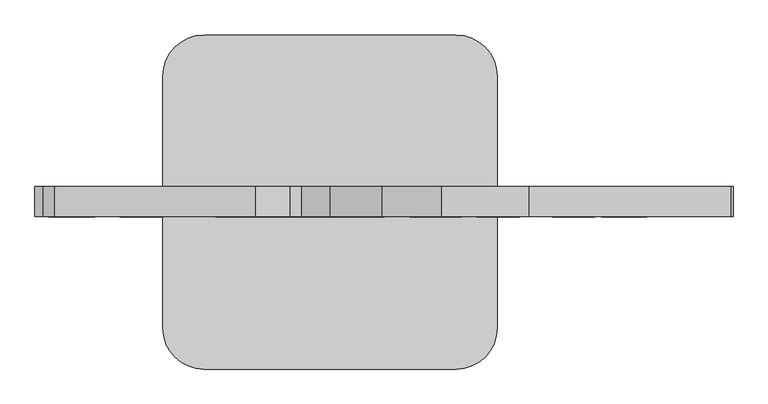
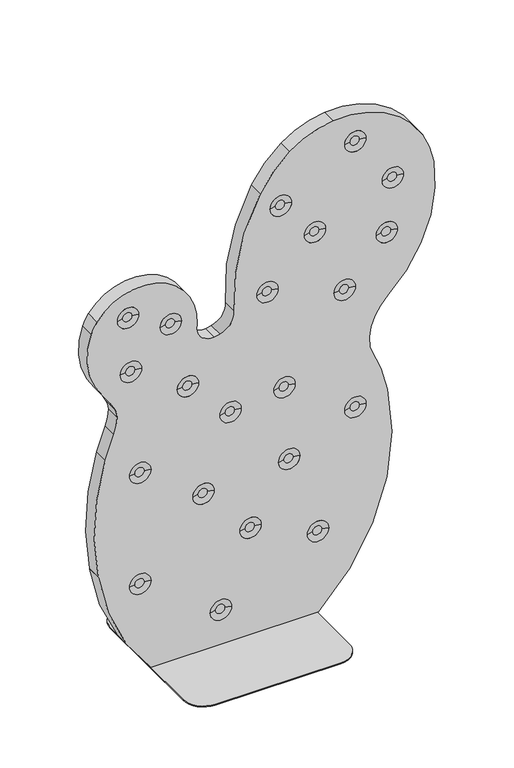
"""IFC4 building model written with IfcOpenShell, lengths in millimetres: furniture geometry."""

import ifcopenshell
import ifcopenshell.guid

model = None  # the IFC model being written
_history = None  # IfcOwnerHistory: only IFC2X3 demands one
_inside = {}  # id of a spatial element -> (the spatial element, [elements in it])
_under = {}  # id of a project, library or spatial element -> (it, [spatial elements below it])
_declared = {}  # id of a project -> (the project, [libraries it declares])
_typed = {}  # id of a type object -> (the type object, [elements of that type])
_made_of = {}  # id of a material, layer set ... -> (it, [elements and type objects made of it])


def new_model(schema):
    """Start an empty IFC model of exactly this schema.

    Asked for "IFC4X3", IfcOpenShell would pick the latest addendum, in which some entities
    have other attributes; the version numbers below select the first issue.
    IFC2X3 requires an IfcOwnerHistory on every rooted entity: one is made here for all.
    """
    global model, _history
    if schema == "IFC4X3":
        model = ifcopenshell.file(schema_version=(4, 3, 0, 0))
    else:
        model = ifcopenshell.file(schema=schema)
    _inside.clear()
    _under.clear()
    _declared.clear()
    _typed.clear()
    _made_of.clear()
    _history = None
    if model.schema == "IFC2X3":
        org = make("IfcOrganization", Name="unknown")
        user = make(
            "IfcPersonAndOrganization",
            ThePerson=make("IfcPerson", FamilyName="unknown"),
            TheOrganization=org,
        )
        app = make(
            "IfcApplication",
            ApplicationDeveloper=org,
            Version="unknown",
            ApplicationFullName="unknown",
            ApplicationIdentifier="unknown",
        )
        _history = make(
            "IfcOwnerHistory",
            OwningUser=user,
            OwningApplication=app,
            ChangeAction="ADDED",
            CreationDate=0,
        )
    return model


def make(cls, **values):
    """One entity of the class cls with the attributes given. An attribute that is None is left unset."""
    return model.create_entity(
        cls, **{name: value for name, value in values.items() if value is not None}
    )


def rooted(cls, **values):
    """An entity with a GlobalId (a new one), such as an element, a storey or a relation."""
    return make(cls, GlobalId=ifcopenshell.guid.new(), OwnerHistory=_history, **values)


def si_unit(unit_type, name, prefix=None):
    """IfcSIUnit, for example si_unit("LENGTHUNIT", "METRE", prefix="MILLI")."""
    return make("IfcSIUnit", UnitType=unit_type, Prefix=prefix, Name=name)


def assignment(units):
    """IfcUnitAssignment: the units of a project."""
    return None if units is None else make("IfcUnitAssignment", Units=units)


def point(xyz):
    """IfcCartesianPoint."""
    return None if xyz is None else make("IfcCartesianPoint", Coordinates=xyz)


def direction(xyz):
    """IfcDirection."""
    return None if xyz is None else make("IfcDirection", DirectionRatios=xyz)


def frame(location, z_axis=None, x_axis=None):
    """IfcAxis2Placement3D, a coordinate frame: its origin and axes. An axis left out is left unset."""
    return make(
        "IfcAxis2Placement3D",
        Location=point(location),
        Axis=direction(z_axis),
        RefDirection=direction(x_axis),
    )


def frame_2d(location, x_axis=None):
    """IfcAxis2Placement2D, a coordinate frame in the plane: its origin and x axis."""
    return make(
        "IfcAxis2Placement2D", Location=point(location), RefDirection=direction(x_axis)
    )


def origin():
    """The frame at (0, 0, 0) with its axes left unset."""
    return frame((0.0, 0.0, 0.0))


def origin_with_axes():
    """The frame at (0, 0, 0) with the z axis (0, 0, 1) and the x axis (1, 0, 0) written out."""
    return frame((0.0, 0.0, 0.0), z_axis=(0.0, 0.0, 1.0), x_axis=(1.0, 0.0, 0.0))


def place(relative_to, where):
    """IfcLocalPlacement: puts the frame where relative to a parent placement (None: the world)."""
    return make(
        "IfcLocalPlacement", PlacementRelTo=relative_to, RelativePlacement=where
    )


def context(
    kind, dimensions, precision=None, world=None, true_north=None, identifier=None
):
    """IfcGeometricRepresentationContext, for example the 3D "Model" context."""
    return make(
        "IfcGeometricRepresentationContext",
        ContextIdentifier=identifier,
        ContextType=kind,
        CoordinateSpaceDimension=dimensions,
        Precision=precision,
        WorldCoordinateSystem=world,
        TrueNorth=true_north,
    )


def project(units=None, contexts=None):
    """IfcProject with its units and contexts."""
    return rooted(
        "IfcProject",
        Name="project",
        RepresentationContexts=contexts,
        UnitsInContext=assignment(units),
    )


def spatial(cls, under=None, at=None, **own):
    """A site, building, storey or space (cls), placed at a placement, below another one or the project."""
    s = rooted(cls, ObjectPlacement=at, **own)
    if under is not None:
        _under.setdefault(under.id(), (under, []))[1].append(s)
    return s


def polyline(points):
    """IfcPolyline through the points."""
    return make("IfcPolyline", Points=[point(p) for p in points])


def circle_curve(where, radius):
    """IfcCircle in the frame where."""
    return make("IfcCircle", Position=where, Radius=radius)


def trimmed(basis, trim1, trim2, sense, master):
    """IfcTrimmedCurve: the piece of a basis curve between two trims."""
    return make(
        "IfcTrimmedCurve",
        BasisCurve=basis,
        Trim1=trim1,
        Trim2=trim2,
        SenseAgreement=sense,
        MasterRepresentation=master,
    )


def segment(curve, same_sense, transition):
    """IfcCompositeCurveSegment."""
    return make(
        "IfcCompositeCurveSegment",
        Transition=transition,
        SameSense=same_sense,
        ParentCurve=curve,
    )


def composite_curve(segments, self_intersect=None):
    """IfcCompositeCurve: segments joined end to end."""
    return make("IfcCompositeCurve", Segments=segments, SelfIntersect=self_intersect)


def outline(outer, holes=None, kind="AREA"):
    """IfcArbitraryClosedProfileDef: a profile drawn as a closed curve; with holes, ...WithVoids."""
    if holes is None:
        return make("IfcArbitraryClosedProfileDef", ProfileType=kind, OuterCurve=outer)
    return make(
        "IfcArbitraryProfileDefWithVoids",
        ProfileType=kind,
        OuterCurve=outer,
        InnerCurves=holes,
    )


def extrude(swept, where, along, depth):
    """IfcExtrudedAreaSolid: the profile swept, set in the frame where, extruded along a direction by depth."""
    return make(
        "IfcExtrudedAreaSolid",
        SweptArea=swept,
        Position=where,
        ExtrudedDirection=direction(along),
        Depth=depth,
    )


def shape(context_of_items, identifier, shape_type, items):
    """IfcShapeRepresentation: the items that make up one representation, for example the "Body"."""
    return make(
        "IfcShapeRepresentation",
        ContextOfItems=context_of_items,
        RepresentationIdentifier=identifier,
        RepresentationType=shape_type,
        Items=items,
    )


def source(mapping_origin, context_of_items, identifier, shape_type, items):
    """IfcRepresentationMap: a shape defined once, which mapped items show again and again."""
    return make(
        "IfcRepresentationMap",
        MappingOrigin=mapping_origin,
        MappedRepresentation=shape(context_of_items, identifier, shape_type, items),
    )


def transform(
    local_origin,
    x_axis=None,
    y_axis=None,
    z_axis=None,
    scale=None,
    scale2=None,
    scale3=None,
    uniform=True,
):
    """IfcCartesianTransformationOperator3D, or its non-uniform kind. x_axis, y_axis, z_axis: its Axis1, 2, 3."""
    if uniform:
        return make(
            "IfcCartesianTransformationOperator3D",
            Axis1=direction(x_axis),
            Axis2=direction(y_axis),
            LocalOrigin=point(local_origin),
            Scale=scale,
            Axis3=direction(z_axis),
        )
    return make(
        "IfcCartesianTransformationOperator3DnonUniform",
        Axis1=direction(x_axis),
        Axis2=direction(y_axis),
        LocalOrigin=point(local_origin),
        Scale=scale,
        Axis3=direction(z_axis),
        Scale2=scale2,
        Scale3=scale3,
    )


def mapped(mapping_source, mapping_target):
    """IfcMappedItem: shows the shape of a source again, moved by a transform."""
    return make(
        "IfcMappedItem", MappingSource=mapping_source, MappingTarget=mapping_target
    )


def made_of(thing, what):
    """Note that an element or type object is made of a material, layer set ...; save() writes the relation."""
    if what is not None:
        _made_of.setdefault(what.id(), (what, []))[1].append(thing)
    return thing


def element(
    cls,
    number,
    at=None,
    inside=None,
    cuts=None,
    type_object=None,
    material=None,
    context=None,
    identifier="Body",
    shape_type=None,
    held_by="IfcProductDefinitionShape",
    body=None,
    shapes=None,
    **own,
):
    """One element of the class cls, such as IfcWall. Its Tag is "e" and its number.

    at: its placement. inside: the storey or other place that contains it. cuts: it is an
    opening in that element (IfcRelVoidsElement). A single representation is given by context,
    identifier, shape_type and body (its items); several are given by shapes. held_by: the class
    of the entity that holds the representations. save() writes the other relations.
    """
    e = rooted(cls, Tag="e%d" % number, ObjectPlacement=at, **own)
    if body is not None:
        shapes = [shape(context, identifier, shape_type, body)]
    if shapes is not None:
        e.Representation = make(held_by, Representations=shapes)
    if inside is not None:
        _inside.setdefault(inside.id(), (inside, []))[1].append(e)
    if cuts is not None:
        rooted(
            "IfcRelVoidsElement", RelatingBuildingElement=cuts, RelatedOpeningElement=e
        )
    if type_object is not None:
        _typed.setdefault(type_object.id(), (type_object, []))[1].append(e)
    return made_of(e, material)


def aggregate(whole, parts):
    """IfcRelAggregates: a whole, such as a stair, and the parts it consists of."""
    return rooted("IfcRelAggregates", RelatingObject=whole, RelatedObjects=parts)


def save(model, path):
    """Write the relations noted so far, then the file.

    IfcRelAggregates (storeys below a building ...), IfcRelContainedInSpatialStructure (elements
    in a storey), IfcRelDefinesByType, IfcRelAssociatesMaterial and IfcRelDeclares: one each for
    every whole, place, type object, material and project.
    """
    for whole, parts in _under.values():
        aggregate(whole, parts)
    for where, things in _inside.values():
        rooted(
            "IfcRelContainedInSpatialStructure",
            RelatedElements=things,
            RelatingStructure=where,
        )
    for kind, things in _typed.values():
        rooted("IfcRelDefinesByType", RelatedObjects=things, RelatingType=kind)
    for what, things in _made_of.values():
        rooted("IfcRelAssociatesMaterial", RelatedObjects=things, RelatingMaterial=what)
    for by, libraries in _declared.values():
        rooted("IfcRelDeclares", RelatingContext=by, RelatedDefinitions=libraries)
    model.write(path)


def plane_surface(at):
    """IfcPlane: the flat surface through the origin of the frame at, square to its z axis."""
    return make("IfcPlane", Position=at)


def cylinder_surface(at, radius):
    """IfcCylindricalSurface: all points at the distance radius from the z axis of the frame at."""
    return make("IfcCylindricalSurface", Position=at, Radius=radius)


def revolved_surface(curve, axis_point, axis_direction):
    """IfcSurfaceOfRevolution: the curve turned about the line through axis_point along axis_direction."""
    return make(
        "IfcSurfaceOfRevolution",
        SweptCurve=make("IfcArbitraryOpenProfileDef", ProfileType="CURVE", Curve=curve),
        AxisPosition=make("IfcAxis1Placement", Location=point(axis_point), Axis=direction(axis_direction)),
    )


def advanced_brep(points, edges, surfaces, faces):
    """IfcAdvancedBrep: a solid bounded by faces that lie on surfaces and meet in shared edges.

    An edge is (start, end): straight between two places in points (the first is 0);
    or (start, end, curve); or (start, end, curve, False) where it runs against its curve.
    A face is (place in surfaces, loops), or (place, loops, False) where it looks against
    its surface's normal. A loop lists edges by number (the first is 1), with a minus sign
    where the edge is run from its end to its start. The first loop is the outer one.
    """
    corners = [point(p) for p in points]
    vertices = [make("IfcVertexPoint", VertexGeometry=c) for c in corners]
    made = []
    for start, end, *more in edges:
        made.append(
            make(
                "IfcEdgeCurve",
                EdgeStart=vertices[start],
                EdgeEnd=vertices[end],
                EdgeGeometry=more[0] if more else make("IfcPolyline", Points=[corners[start], corners[end]]),
                SameSense=more[1] if len(more) > 1 else True,
            )
        )
    hull = []
    for where, loops, *sense in faces:
        bounds = []
        for j, loop in enumerate(loops):
            ring = [make("IfcOrientedEdge", EdgeElement=made[abs(k) - 1], Orientation=k > 0) for k in loop]
            bounds.append(
                make(
                    "IfcFaceOuterBound" if j == 0 else "IfcFaceBound",
                    Bound=make("IfcEdgeLoop", EdgeList=ring),
                    Orientation=True,
                )
            )
        hull.append(make("IfcAdvancedFace", Bounds=bounds, FaceSurface=surfaces[where], SameSense=sense[0] if sense else True))
    return make("IfcAdvancedBrep", Outer=make("IfcClosedShell", CfsFaces=hull))


def furniture_1ea57966(model_context):
    return source(origin(), model_context, "Body", "SolidModel", [
        advanced_brep(
        [(383.9345234, 22.8032112, 1022.0487103), (90.7629582, 22.8032112, 1131.3491793), (72.9704797, 22.8032112, 1097.9766871), (108.3073631, 22.8032112, 894.6900839), (143.2085862, 22.8032112, 839.9596733), (149.2260125, 22.8032112, 814.6825697), (139.7553251, 22.8032112, 764.40238), (114.6822647, 22.8032112, 694.0131616), (93.7365974, 22.8032112, 339.423907), (94.4726951, 22.8032112, 334.8360436), (249.0455386, 22.8032112, 3.0), (741.9245014, 22.8032112, 3.0), (944.2729864, 22.8032112, 624.0146305), (895.4289233, 22.8032112, 765.6854226), (892.8814564, 22.8032112, 773.8024335), (944.2729864, 22.8032112, 913.5512241), (1080.5275383, 22.8032112, 1283.5997129), (785.8654842, 22.8032112, 1513.6117304), (656.7597266, 22.8032112, 1462.1887152), (570.4935539, 22.8032112, 1362.6266925), (493.8752537, 22.8032112, 1025.0555128), (451.5065926, 22.8032112, 966.9582956), (435.0272691, 22.8032112, 963.998352), (383.6509701, 22.8032112, 1008.437465), (212.9833468, 22.8032112, 1112.1066548), (150.2473902, 22.8032112, 1112.1066548), (338.6737896, 22.8032112, 1049.2575222), (275.937833, 22.8032112, 1049.2575222), (221.5964558, 22.8032112, 941.7696601), (158.8604993, 22.8032112, 941.7696601), (389.1703055, 22.8032112, 838.0721612), (326.4343489, 22.8032112, 838.0721612), (514.4156775, 22.8032112, 714.51896), (451.6797209, 22.8032112, 714.51896), (248.6804162, 22.8032112, 618.3836595), (185.9444596, 22.8032112, 618.3836595), (434.9100972, 22.8032112, 488.3338332), (372.1741406, 22.8032112, 488.3338332), (248.6731165, 22.8032112, 273.403571), (185.9371599, 22.8032112, 273.403571), (486.1247048, 22.8032112, 110.2633636), (423.3887482, 22.8032112, 110.2633636), (573.2874159, 22.8032112, 334.0923875), (510.5514593, 22.8032112, 334.0923875), (771.7077971, 22.8032112, 254.3918376), (708.9718405, 22.8032112, 254.3918376), (686.9743247, 22.8032112, 508.1341263), (624.2383681, 22.8032112, 508.1341263), (881.6769605, 22.8032112, 601.4718865), (818.941004, 22.8032112, 601.4718865), (673.0562292, 22.8032112, 735.9343002), (610.3202726, 22.8032112, 735.9343002), (850.3804456, 22.8032112, 976.366838), (787.644489, 22.8032112, 976.366838), (623.1025511, 22.8032112, 1049.0987496), (560.3665945, 22.8032112, 1049.0987496), (762.736861, 22.8032112, 1186.7586303), (700.0009044, 22.8032112, 1186.7586303), (974.1391708, 22.8032112, 1112.4678051), (911.4032142, 22.8032112, 1112.4678051), (662.3675665, 22.8032112, 1303.7616575), (599.63161, 22.8032112, 1303.7616575), (991.7835826, 22.8032112, 1276.0400274), (929.047626, 22.8032112, 1276.0400274), (881.6418622, 22.8032112, 1426.7252306), (818.9059056, 22.8032112, 1426.7252306), (383.9345234, 66.8126425, 1022.0487103), (383.6509701, 66.8126425, 1008.437465), (435.0272691, 66.8126425, 963.998352), (451.5065926, 66.8126425, 966.9582956), (493.8752537, 66.8126425, 1025.0555128), (570.4935539, 66.8126425, 1362.6266925), (656.7597266, 66.8126425, 1462.1887152), (785.8654842, 66.8126425, 1513.6117304), (1080.5275383, 66.8126425, 1283.5997129), (944.2729864, 66.8126425, 913.5512241), (892.8814564, 66.8126425, 773.8024335), (895.4289233, 66.8126425, 765.6854226), (944.2729864, 66.8126425, 624.0146305), (741.9245014, 66.8126425, 3.0), (249.0455386, 66.8126425, 3.0), (94.4726951, 66.8126425, 334.8360436), (93.7365974, 66.8126425, 339.423907), (114.6822647, 66.8126425, 694.0131616), (139.7553251, 66.8126425, 764.40238), (149.2260125, 66.8126425, 814.6825697), (143.2085862, 66.8126425, 839.9596733), (108.3073631, 66.8126425, 894.6900839), (72.9704797, 66.8126425, 1097.9766871), (90.7629582, 66.8126425, 1131.3491793), (168.2624102, 26.8020212, 1112.1066548), (194.9683268, 26.8020212, 1112.1066548), (293.952853, 26.8020212, 1049.2575222), (320.6587696, 26.8020212, 1049.2575222), (176.8755193, 26.8020212, 941.7696601), (203.5814358, 26.8020212, 941.7696601), (344.4493689, 26.8020212, 838.0721612), (371.1552855, 26.8020212, 838.0721612), (469.6947409, 26.8020212, 714.51896), (496.4006574, 26.8020212, 714.51896), (203.9594796, 26.8020212, 618.3836595), (230.6653961, 26.8020212, 618.3836595), (390.1891606, 26.8020212, 488.3338332), (416.8950772, 26.8020212, 488.3338332), (203.9521799, 26.8020212, 273.403571), (230.6580965, 26.8020212, 273.403571), (441.4037682, 26.8020212, 110.2633636), (468.1096848, 26.8020212, 110.2633636), (528.5664793, 26.8020212, 334.0923875), (555.2723959, 26.8020212, 334.0923875), (726.9868605, 26.8020212, 254.3918376), (753.6927771, 26.8020212, 254.3918376), (642.2533881, 26.8020212, 508.1341263), (668.9593047, 26.8020212, 508.1341263), (836.956024, 26.8020212, 601.4718865), (863.6619405, 26.8020212, 601.4718865), (628.3352926, 26.8020212, 735.9343002), (655.0412092, 26.8020212, 735.9343002), (805.6595091, 26.8020212, 976.366838), (832.3654256, 26.8020212, 976.366838), (578.3816146, 26.8020212, 1049.0987496), (605.0875311, 26.8020212, 1049.0987496), (718.0159244, 26.8020212, 1186.7586303), (744.721841, 26.8020212, 1186.7586303), (929.4182342, 26.8020212, 1112.4678051), (956.1241508, 26.8020212, 1112.4678051), (617.64663, 26.8020212, 1303.7616575), (644.3525465, 26.8020212, 1303.7616575), (947.062646, 26.8020212, 1276.0400274), (973.7685625, 26.8020212, 1276.0400274), (836.9209256, 26.8020212, 1426.7252306), (863.6268422, 26.8020212, 1426.7252306)],
        [
            (0, 1, circle_curve(frame((221.4914503, 22.8032112, 1034.1656721), z_axis=(0.0, -1.0, 0.0), x_axis=(1.0, 0.0, 0.0)), 162.8943607)),
            (1, 2, circle_curve(frame((192.684955, 22.8032112, 1055.5804089), z_axis=(0.0, -1.0, 0.0), x_axis=(1.0, 0.0, 0.0)), 127.0)),
            (2, 3, circle_curve(frame((271.3037223, 22.8032112, 1027.7379686), z_axis=(0.0, -1.0, 0.0), x_axis=(1.0, 0.0, 0.0)), 210.4033097)),
            (3, 4, circle_curve(frame((-107.2577041, 22.8032112, 718.7323119), z_axis=(0.0, 1.0, 0.0), x_axis=(1.0, 0.0, 0.0)), 278.2614521)),
            (4, 5, circle_curve(frame((88.9093693, 22.8032112, 813.6784887), z_axis=(0.0, 1.0, 0.0), x_axis=(1.0, 0.0, 0.0)), 60.325)),
            (5, 6, circle_curve(frame((22.2436057, 22.8032112, 812.568715), z_axis=(0.0, 1.0, 0.0), x_axis=(1.0, 0.0, 0.0)), 127.0)),
            (6, 7, circle_curve(frame((878.5899407, 22.8032112, 461.564878), z_axis=(0.0, -1.0, 0.0), x_axis=(1.0, 0.0, 0.0)), 798.4905396)),
            (7, 8, circle_curve(frame((840.2125945, 22.8032112, 473.2426612), z_axis=(0.0, -1.0, 0.0), x_axis=(1.0, 0.0, 0.0)), 758.3758127)),
            (8, 9, circle_curve(frame((-31.270622, 22.8032112, 317.0141973), z_axis=(0.0, 1.0, 0.0), x_axis=(1.0, 0.0, 0.0)), 127.0)),
            (9, 10, circle_curve(frame((717.5273165, 22.8032112, 423.1427939), z_axis=(0.0, -1.0, 0.0), x_axis=(1.0, 0.0, 0.0)), 629.2814501)),
            (10, 11),
            (11, 12, circle_curve(frame((294.2712782, 22.8032112, 492.3346741), z_axis=(0.0, -1.0, 0.0), x_axis=(1.0, 0.0, 0.0)), 663.2057234)),
            (12, 13, circle_curve(frame((386.8724995, 22.8032112, 511.0942014), z_axis=(0.0, -1.0, 0.0), x_axis=(1.0, 0.0, 0.0)), 568.7234179)),
            (13, 14, circle_curve(frame((919.2989117, 22.8032112, 777.6351085), z_axis=(0.0, 1.0, 0.0), x_axis=(1.0, 0.0, 0.0)), 26.6940319)),
            (14, 15, circle_curve(frame((1047.562029, 22.8032112, 796.2436698), z_axis=(0.0, 1.0, 0.0), x_axis=(1.0, 0.0, 0.0)), 156.2999956)),
            (15, 16, circle_curve(frame((670.5200225, 22.8032112, 1224.4582657), z_axis=(0.0, -1.0, 0.0), x_axis=(1.0, 0.0, 0.0)), 414.2509792)),
            (16, 17, circle_curve(frame((813.3386396, 22.8032112, 1245.0591068), z_axis=(0.0, -1.0, 0.0), x_axis=(1.0, 0.0, 0.0)), 269.9542292)),
            (17, 18, circle_curve(frame((811.7149828, 22.8032112, 1260.9305015), z_axis=(0.0, -1.0, 0.0), x_axis=(1.0, 0.0, 0.0)), 254.0)),
            (18, 19, circle_curve(frame((858.3377643, 22.8032112, 1200.3761328), z_axis=(0.0, -1.0, 0.0), x_axis=(1.0, 0.0, 0.0)), 330.4232643)),
            (19, 20, circle_curve(frame((1097.6026806, 22.8032112, 1065.5085024), z_axis=(0.0, -1.0, 0.0), x_axis=(1.0, 0.0, 0.0)), 605.0811931)),
            (20, 21, circle_curve(frame((437.9930247, 22.8032112, 1021.3111024), z_axis=(0.0, 1.0, 0.0), x_axis=(1.0, 0.0, 0.0)), 56.0075364)),
            (21, 22, circle_curve(frame((420.8638749, 22.8032112, 1090.2061103), z_axis=(0.0, 1.0, 0.0), x_axis=(1.0, 0.0, 0.0)), 127.0)),
            (22, 23, circle_curve(frame((429.8700187, 22.8032112, 1009.953792), z_axis=(0.0, 1.0, 0.0), x_axis=(1.0, 0.0, 0.0)), 46.2439152)),
            (23, 0, circle_curve(frame((510.5826786, 22.8032112, 1012.6017648), z_axis=(0.0, 1.0, 0.0), x_axis=(1.0, 0.0, 0.0)), 127.0)),
            (24, 25, circle_curve(frame((181.6153685, 22.8032112, 1112.1066548), z_axis=(0.0, 1.0, 0.0), x_axis=(-1.0, 0.0, 0.0)), 31.3679783)),
            (25, 24, circle_curve(frame((181.6153685, 22.8032112, 1112.1066548), z_axis=(0.0, 1.0, 0.0), x_axis=(1.0, 0.0, 0.0)), 31.3679783)),
            (26, 27, circle_curve(frame((307.3058113, 22.8032112, 1049.2575222), z_axis=(0.0, 1.0, 0.0), x_axis=(-1.0, 0.0, 0.0)), 31.3679783)),
            (27, 26, circle_curve(frame((307.3058113, 22.8032112, 1049.2575222), z_axis=(0.0, 1.0, 0.0), x_axis=(1.0, 0.0, 0.0)), 31.3679783)),
            (28, 29, circle_curve(frame((190.2284776, 22.8032112, 941.7696601), z_axis=(0.0, 1.0, 0.0), x_axis=(-1.0, 0.0, 0.0)), 31.3679783)),
            (29, 28, circle_curve(frame((190.2284776, 22.8032112, 941.7696601), z_axis=(0.0, 1.0, 0.0), x_axis=(1.0, 0.0, 0.0)), 31.3679783)),
            (30, 31, circle_curve(frame((357.8023272, 22.8032112, 838.0721612), z_axis=(0.0, 1.0, 0.0), x_axis=(-1.0, 0.0, 0.0)), 31.3679783)),
            (31, 30, circle_curve(frame((357.8023272, 22.8032112, 838.0721612), z_axis=(0.0, 1.0, 0.0), x_axis=(1.0, 0.0, 0.0)), 31.3679783)),
            (32, 33, circle_curve(frame((483.0476992, 22.8032112, 714.51896), z_axis=(0.0, 1.0, 0.0), x_axis=(-1.0, 0.0, 0.0)), 31.3679783)),
            (33, 32, circle_curve(frame((483.0476992, 22.8032112, 714.51896), z_axis=(0.0, 1.0, 0.0), x_axis=(1.0, 0.0, 0.0)), 31.3679783)),
            (34, 35, circle_curve(frame((217.3124379, 22.8032112, 618.3836595), z_axis=(0.0, 1.0, 0.0), x_axis=(-1.0, 0.0, 0.0)), 31.3679783)),
            (35, 34, circle_curve(frame((217.3124379, 22.8032112, 618.3836595), z_axis=(0.0, 1.0, 0.0), x_axis=(1.0, 0.0, 0.0)), 31.3679783)),
            (36, 37, circle_curve(frame((403.5421189, 22.8032112, 488.3338332), z_axis=(0.0, 1.0, 0.0), x_axis=(-1.0, 0.0, 0.0)), 31.3679783)),
            (37, 36, circle_curve(frame((403.5421189, 22.8032112, 488.3338332), z_axis=(0.0, 1.0, 0.0), x_axis=(1.0, 0.0, 0.0)), 31.3679783)),
            (38, 39, circle_curve(frame((217.3051382, 22.8032112, 273.403571), z_axis=(0.0, 1.0, 0.0), x_axis=(-1.0, 0.0, 0.0)), 31.3679783)),
            (39, 38, circle_curve(frame((217.3051382, 22.8032112, 273.403571), z_axis=(0.0, 1.0, 0.0), x_axis=(1.0, 0.0, 0.0)), 31.3679783)),
            (40, 41, circle_curve(frame((454.7567265, 22.8032112, 110.2633636), z_axis=(0.0, 1.0, 0.0), x_axis=(-1.0, 0.0, 0.0)), 31.3679783)),
            (41, 40, circle_curve(frame((454.7567265, 22.8032112, 110.2633636), z_axis=(0.0, 1.0, 0.0), x_axis=(1.0, 0.0, 0.0)), 31.3679783)),
            (42, 43, circle_curve(frame((541.9194376, 22.8032112, 334.0923875), z_axis=(0.0, 1.0, 0.0), x_axis=(-1.0, 0.0, 0.0)), 31.3679783)),
            (43, 42, circle_curve(frame((541.9194376, 22.8032112, 334.0923875), z_axis=(0.0, 1.0, 0.0), x_axis=(1.0, 0.0, 0.0)), 31.3679783)),
            (44, 45, circle_curve(frame((740.3398188, 22.8032112, 254.3918376), z_axis=(0.0, 1.0, 0.0), x_axis=(-1.0, 0.0, 0.0)), 31.3679783)),
            (45, 44, circle_curve(frame((740.3398188, 22.8032112, 254.3918376), z_axis=(0.0, 1.0, 0.0), x_axis=(1.0, 0.0, 0.0)), 31.3679783)),
            (46, 47, circle_curve(frame((655.6063464, 22.8032112, 508.1341263), z_axis=(0.0, 1.0, 0.0), x_axis=(-1.0, 0.0, 0.0)), 31.3679783)),
            (47, 46, circle_curve(frame((655.6063464, 22.8032112, 508.1341263), z_axis=(0.0, 1.0, 0.0), x_axis=(1.0, 0.0, 0.0)), 31.3679783)),
            (48, 49, circle_curve(frame((850.3089823, 22.8032112, 601.4718865), z_axis=(0.0, 1.0, 0.0), x_axis=(-1.0, 0.0, 0.0)), 31.3679783)),
            (49, 48, circle_curve(frame((850.3089823, 22.8032112, 601.4718865), z_axis=(0.0, 1.0, 0.0), x_axis=(1.0, 0.0, 0.0)), 31.3679783)),
            (50, 51, circle_curve(frame((641.6882509, 22.8032112, 735.9343002), z_axis=(0.0, 1.0, 0.0), x_axis=(-1.0, 0.0, 0.0)), 31.3679783)),
            (51, 50, circle_curve(frame((641.6882509, 22.8032112, 735.9343002), z_axis=(0.0, 1.0, 0.0), x_axis=(1.0, 0.0, 0.0)), 31.3679783)),
            (52, 53, circle_curve(frame((819.0124673, 22.8032112, 976.366838), z_axis=(0.0, 1.0, 0.0), x_axis=(-1.0, 0.0, 0.0)), 31.3679783)),
            (53, 52, circle_curve(frame((819.0124673, 22.8032112, 976.366838), z_axis=(0.0, 1.0, 0.0), x_axis=(1.0, 0.0, 0.0)), 31.3679783)),
            (54, 55, circle_curve(frame((591.7345728, 22.8032112, 1049.0987496), z_axis=(0.0, 1.0, 0.0), x_axis=(-1.0, 0.0, 0.0)), 31.3679783)),
            (55, 54, circle_curve(frame((591.7345728, 22.8032112, 1049.0987496), z_axis=(0.0, 1.0, 0.0), x_axis=(1.0, 0.0, 0.0)), 31.3679783)),
            (56, 57, circle_curve(frame((731.3688827, 22.8032112, 1186.7586303), z_axis=(0.0, 1.0, 0.0), x_axis=(-1.0, 0.0, 0.0)), 31.3679783)),
            (57, 56, circle_curve(frame((731.3688827, 22.8032112, 1186.7586303), z_axis=(0.0, 1.0, 0.0), x_axis=(1.0, 0.0, 0.0)), 31.3679783)),
            (58, 59, circle_curve(frame((942.7711925, 22.8032112, 1112.4678051), z_axis=(0.0, 1.0, 0.0), x_axis=(-1.0, 0.0, 0.0)), 31.3679783)),
            (59, 58, circle_curve(frame((942.7711925, 22.8032112, 1112.4678051), z_axis=(0.0, 1.0, 0.0), x_axis=(1.0, 0.0, 0.0)), 31.3679783)),
            (60, 61, circle_curve(frame((630.9995883, 22.8032112, 1303.7616575), z_axis=(0.0, 1.0, 0.0), x_axis=(-1.0, 0.0, 0.0)), 31.3679783)),
            (61, 60, circle_curve(frame((630.9995883, 22.8032112, 1303.7616575), z_axis=(0.0, 1.0, 0.0), x_axis=(1.0, 0.0, 0.0)), 31.3679783)),
            (62, 63, circle_curve(frame((960.4156043, 22.8032112, 1276.0400274), z_axis=(0.0, 1.0, 0.0), x_axis=(-1.0, 0.0, 0.0)), 31.3679783)),
            (63, 62, circle_curve(frame((960.4156043, 22.8032112, 1276.0400274), z_axis=(0.0, 1.0, 0.0), x_axis=(1.0, 0.0, 0.0)), 31.3679783)),
            (64, 65, circle_curve(frame((850.2738839, 22.8032112, 1426.7252306), z_axis=(0.0, 1.0, 0.0), x_axis=(-1.0, 0.0, 0.0)), 31.3679783)),
            (65, 64, circle_curve(frame((850.2738839, 22.8032112, 1426.7252306), z_axis=(0.0, 1.0, 0.0), x_axis=(1.0, 0.0, 0.0)), 31.3679783)),
            (66, 67, circle_curve(frame((510.5826786, 66.8126425, 1012.6017648), z_axis=(0.0, -1.0, 0.0), x_axis=(1.0, 0.0, 0.0)), 127.0)),
            (67, 68, circle_curve(frame((429.8700187, 66.8126425, 1009.953792), z_axis=(0.0, -1.0, 0.0), x_axis=(1.0, 0.0, 0.0)), 46.2439152)),
            (68, 69, circle_curve(frame((420.8638749, 66.8126425, 1090.2061103), z_axis=(0.0, -1.0, 0.0), x_axis=(1.0, 0.0, 0.0)), 127.0)),
            (69, 70, circle_curve(frame((437.9930247, 66.8126425, 1021.3111024), z_axis=(0.0, -1.0, 0.0), x_axis=(1.0, 0.0, 0.0)), 56.0075364)),
            (70, 71, circle_curve(frame((1097.6026806, 66.8126425, 1065.5085024), z_axis=(0.0, 1.0, 0.0), x_axis=(1.0, 0.0, 0.0)), 605.0811931)),
            (71, 72, circle_curve(frame((858.3377643, 66.8126425, 1200.3761328), z_axis=(0.0, 1.0, 0.0), x_axis=(1.0, 0.0, 0.0)), 330.4232643)),
            (72, 73, circle_curve(frame((811.7149828, 66.8126425, 1260.9305015), z_axis=(0.0, 1.0, 0.0), x_axis=(1.0, 0.0, 0.0)), 254.0)),
            (73, 74, circle_curve(frame((813.3386396, 66.8126425, 1245.0591068), z_axis=(0.0, 1.0, 0.0), x_axis=(1.0, 0.0, 0.0)), 269.9542292)),
            (74, 75, circle_curve(frame((670.5200225, 66.8126425, 1224.4582657), z_axis=(0.0, 1.0, 0.0), x_axis=(1.0, 0.0, 0.0)), 414.2509792)),
            (75, 76, circle_curve(frame((1047.562029, 66.8126425, 796.2436698), z_axis=(0.0, -1.0, 0.0), x_axis=(1.0, 0.0, 0.0)), 156.2999956)),
            (76, 77, circle_curve(frame((919.2989117, 66.8126425, 777.6351085), z_axis=(0.0, -1.0, 0.0), x_axis=(1.0, 0.0, 0.0)), 26.6940319)),
            (77, 78, circle_curve(frame((386.8724995, 66.8126425, 511.0942014), z_axis=(0.0, 1.0, 0.0), x_axis=(1.0, 0.0, 0.0)), 568.7234179)),
            (78, 79, circle_curve(frame((294.2712782, 66.8126425, 492.3346741), z_axis=(0.0, 1.0, 0.0), x_axis=(1.0, 0.0, 0.0)), 663.2057234)),
            (79, 80),
            (80, 81, circle_curve(frame((717.5273165, 66.8126425, 423.1427939), z_axis=(0.0, 1.0, 0.0), x_axis=(1.0, 0.0, 0.0)), 629.2814501)),
            (81, 82, circle_curve(frame((-31.270622, 66.8126425, 317.0141973), z_axis=(0.0, -1.0, 0.0), x_axis=(1.0, 0.0, 0.0)), 127.0)),
            (82, 83, circle_curve(frame((840.2125945, 66.8126425, 473.2426612), z_axis=(0.0, 1.0, 0.0), x_axis=(1.0, 0.0, 0.0)), 758.3758127)),
            (83, 84, circle_curve(frame((878.5899407, 66.8126425, 461.564878), z_axis=(0.0, 1.0, 0.0), x_axis=(1.0, 0.0, 0.0)), 798.4905396)),
            (84, 85, circle_curve(frame((22.2436057, 66.8126425, 812.568715), z_axis=(0.0, -1.0, 0.0), x_axis=(1.0, 0.0, 0.0)), 127.0)),
            (85, 86, circle_curve(frame((88.9093693, 66.8126425, 813.6784887), z_axis=(0.0, -1.0, 0.0), x_axis=(1.0, 0.0, 0.0)), 60.325)),
            (86, 87, circle_curve(frame((-107.2577041, 66.8126425, 718.7323119), z_axis=(0.0, -1.0, 0.0), x_axis=(1.0, 0.0, 0.0)), 278.2614521)),
            (87, 88, circle_curve(frame((271.3037223, 66.8126425, 1027.7379686), z_axis=(0.0, 1.0, 0.0), x_axis=(1.0, 0.0, 0.0)), 210.4033097)),
            (88, 89, circle_curve(frame((192.684955, 66.8126425, 1055.5804089), z_axis=(0.0, 1.0, 0.0), x_axis=(1.0, 0.0, 0.0)), 127.0)),
            (89, 66, circle_curve(frame((221.4914503, 66.8126425, 1034.1656721), z_axis=(0.0, 1.0, 0.0), x_axis=(1.0, 0.0, 0.0)), 162.8943607)),
            (10, 80),
            (79, 11),
            (78, 12),
            (15, 75),
            (74, 16),
            (73, 17),
            (0, 66),
            (89, 1),
            (2, 88),
            (87, 3),
            (86, 4),
            (85, 5),
            (6, 84),
            (83, 7),
            (9, 81),
            (82, 8),
            (22, 68),
            (67, 23),
            (21, 69),
            (18, 72),
            (71, 19),
            (70, 20),
            (77, 13),
            (14, 76),
            (90, 91, circle_curve(frame((181.6153685, 26.8020212, 1112.1066548), z_axis=(0.0, -1.0, 0.0), x_axis=(-1.0, 0.0, 0.0)), 13.3529583)),
            (91, 90, circle_curve(frame((181.6153685, 26.8020212, 1112.1066548), z_axis=(0.0, -1.0, 0.0), x_axis=(1.0, 0.0, 0.0)), 13.3529583)),
            (90, 25),
            (24, 91),
            (92, 93, circle_curve(frame((307.3058113, 26.8020212, 1049.2575222), z_axis=(0.0, -1.0, 0.0), x_axis=(-1.0, 0.0, 0.0)), 13.3529583)),
            (93, 92, circle_curve(frame((307.3058113, 26.8020212, 1049.2575222), z_axis=(0.0, -1.0, 0.0), x_axis=(1.0, 0.0, 0.0)), 13.3529583)),
            (92, 27),
            (26, 93),
            (94, 95, circle_curve(frame((190.2284776, 26.8020212, 941.7696601), z_axis=(0.0, -1.0, 0.0), x_axis=(-1.0, 0.0, 0.0)), 13.3529583)),
            (95, 94, circle_curve(frame((190.2284776, 26.8020212, 941.7696601), z_axis=(0.0, -1.0, 0.0), x_axis=(1.0, 0.0, 0.0)), 13.3529583)),
            (94, 29),
            (28, 95),
            (96, 97, circle_curve(frame((357.8023272, 26.8020212, 838.0721612), z_axis=(0.0, -1.0, 0.0), x_axis=(-1.0, 0.0, 0.0)), 13.3529583)),
            (97, 96, circle_curve(frame((357.8023272, 26.8020212, 838.0721612), z_axis=(0.0, -1.0, 0.0), x_axis=(1.0, 0.0, 0.0)), 13.3529583)),
            (96, 31),
            (30, 97),
            (98, 99, circle_curve(frame((483.0476992, 26.8020212, 714.51896), z_axis=(0.0, -1.0, 0.0), x_axis=(-1.0, 0.0, 0.0)), 13.3529583)),
            (99, 98, circle_curve(frame((483.0476992, 26.8020212, 714.51896), z_axis=(0.0, -1.0, 0.0), x_axis=(1.0, 0.0, 0.0)), 13.3529583)),
            (98, 33),
            (32, 99),
            (100, 101, circle_curve(frame((217.3124379, 26.8020212, 618.3836595), z_axis=(0.0, -1.0, 0.0), x_axis=(-1.0, 0.0, 0.0)), 13.3529583)),
            (101, 100, circle_curve(frame((217.3124379, 26.8020212, 618.3836595), z_axis=(0.0, -1.0, 0.0), x_axis=(1.0, 0.0, 0.0)), 13.3529583)),
            (100, 35),
            (34, 101),
            (102, 103, circle_curve(frame((403.5421189, 26.8020212, 488.3338332), z_axis=(0.0, -1.0, 0.0), x_axis=(-1.0, 0.0, 0.0)), 13.3529583)),
            (103, 102, circle_curve(frame((403.5421189, 26.8020212, 488.3338332), z_axis=(0.0, -1.0, 0.0), x_axis=(1.0, 0.0, 0.0)), 13.3529583)),
            (102, 37),
            (36, 103),
            (104, 105, circle_curve(frame((217.3051382, 26.8020212, 273.403571), z_axis=(0.0, -1.0, 0.0), x_axis=(-1.0, 0.0, 0.0)), 13.3529583)),
            (105, 104, circle_curve(frame((217.3051382, 26.8020212, 273.403571), z_axis=(0.0, -1.0, 0.0), x_axis=(1.0, 0.0, 0.0)), 13.3529583)),
            (104, 39),
            (38, 105),
            (106, 107, circle_curve(frame((454.7567265, 26.8020212, 110.2633636), z_axis=(0.0, -1.0, 0.0), x_axis=(-1.0, 0.0, 0.0)), 13.3529583)),
            (107, 106, circle_curve(frame((454.7567265, 26.8020212, 110.2633636), z_axis=(0.0, -1.0, 0.0), x_axis=(1.0, 0.0, 0.0)), 13.3529583)),
            (106, 41),
            (40, 107),
            (108, 109, circle_curve(frame((541.9194376, 26.8020212, 334.0923875), z_axis=(0.0, -1.0, 0.0), x_axis=(-1.0, 0.0, 0.0)), 13.3529583)),
            (109, 108, circle_curve(frame((541.9194376, 26.8020212, 334.0923875), z_axis=(0.0, -1.0, 0.0), x_axis=(1.0, 0.0, 0.0)), 13.3529583)),
            (108, 43),
            (42, 109),
            (110, 111, circle_curve(frame((740.3398188, 26.8020212, 254.3918376), z_axis=(0.0, -1.0, 0.0), x_axis=(-1.0, 0.0, 0.0)), 13.3529583)),
            (111, 110, circle_curve(frame((740.3398188, 26.8020212, 254.3918376), z_axis=(0.0, -1.0, 0.0), x_axis=(1.0, 0.0, 0.0)), 13.3529583)),
            (110, 45),
            (44, 111),
            (112, 113, circle_curve(frame((655.6063464, 26.8020212, 508.1341263), z_axis=(0.0, -1.0, 0.0), x_axis=(-1.0, 0.0, 0.0)), 13.3529583)),
            (113, 112, circle_curve(frame((655.6063464, 26.8020212, 508.1341263), z_axis=(0.0, -1.0, 0.0), x_axis=(1.0, 0.0, 0.0)), 13.3529583)),
            (112, 47),
            (46, 113),
            (114, 115, circle_curve(frame((850.3089823, 26.8020212, 601.4718865), z_axis=(0.0, -1.0, 0.0), x_axis=(-1.0, 0.0, 0.0)), 13.3529583)),
            (115, 114, circle_curve(frame((850.3089823, 26.8020212, 601.4718865), z_axis=(0.0, -1.0, 0.0), x_axis=(1.0, 0.0, 0.0)), 13.3529583)),
            (114, 49),
            (48, 115),
            (116, 117, circle_curve(frame((641.6882509, 26.8020212, 735.9343002), z_axis=(0.0, -1.0, 0.0), x_axis=(-1.0, 0.0, 0.0)), 13.3529583)),
            (117, 116, circle_curve(frame((641.6882509, 26.8020212, 735.9343002), z_axis=(0.0, -1.0, 0.0), x_axis=(1.0, 0.0, 0.0)), 13.3529583)),
            (116, 51),
            (50, 117),
            (118, 119, circle_curve(frame((819.0124673, 26.8020212, 976.366838), z_axis=(0.0, -1.0, 0.0), x_axis=(-1.0, 0.0, 0.0)), 13.3529583)),
            (119, 118, circle_curve(frame((819.0124673, 26.8020212, 976.366838), z_axis=(0.0, -1.0, 0.0), x_axis=(1.0, 0.0, 0.0)), 13.3529583)),
            (118, 53),
            (52, 119),
            (120, 121, circle_curve(frame((591.7345728, 26.8020212, 1049.0987496), z_axis=(0.0, -1.0, 0.0), x_axis=(-1.0, 0.0, 0.0)), 13.3529583)),
            (121, 120, circle_curve(frame((591.7345728, 26.8020212, 1049.0987496), z_axis=(0.0, -1.0, 0.0), x_axis=(1.0, 0.0, 0.0)), 13.3529583)),
            (120, 55),
            (54, 121),
            (122, 123, circle_curve(frame((731.3688827, 26.8020212, 1186.7586303), z_axis=(0.0, -1.0, 0.0), x_axis=(-1.0, 0.0, 0.0)), 13.3529583)),
            (123, 122, circle_curve(frame((731.3688827, 26.8020212, 1186.7586303), z_axis=(0.0, -1.0, 0.0), x_axis=(1.0, 0.0, 0.0)), 13.3529583)),
            (122, 57),
            (56, 123),
            (124, 125, circle_curve(frame((942.7711925, 26.8020212, 1112.4678051), z_axis=(0.0, -1.0, 0.0), x_axis=(-1.0, 0.0, 0.0)), 13.3529583)),
            (125, 124, circle_curve(frame((942.7711925, 26.8020212, 1112.4678051), z_axis=(0.0, -1.0, 0.0), x_axis=(1.0, 0.0, 0.0)), 13.3529583)),
            (124, 59),
            (58, 125),
            (126, 127, circle_curve(frame((630.9995883, 26.8020212, 1303.7616575), z_axis=(0.0, -1.0, 0.0), x_axis=(-1.0, 0.0, 0.0)), 13.3529583)),
            (127, 126, circle_curve(frame((630.9995883, 26.8020212, 1303.7616575), z_axis=(0.0, -1.0, 0.0), x_axis=(1.0, 0.0, 0.0)), 13.3529583)),
            (126, 61),
            (60, 127),
            (128, 129, circle_curve(frame((960.4156043, 26.8020212, 1276.0400274), z_axis=(0.0, -1.0, 0.0), x_axis=(-1.0, 0.0, 0.0)), 13.3529583)),
            (129, 128, circle_curve(frame((960.4156043, 26.8020212, 1276.0400274), z_axis=(0.0, -1.0, 0.0), x_axis=(1.0, 0.0, 0.0)), 13.3529583)),
            (128, 63),
            (62, 129),
            (130, 131, circle_curve(frame((850.2738839, 26.8020212, 1426.7252306), z_axis=(0.0, -1.0, 0.0), x_axis=(-1.0, 0.0, 0.0)), 13.3529583)),
            (131, 130, circle_curve(frame((850.2738839, 26.8020212, 1426.7252306), z_axis=(0.0, -1.0, 0.0), x_axis=(1.0, 0.0, 0.0)), 13.3529583)),
            (130, 65),
            (64, 131),
        ],
        [
            plane_surface(frame((384.385811, 22.8032112, 1034.1656721), z_axis=(0.0, -1.0, 0.0), x_axis=(0.0, 0.0, 1.0))),
            plane_surface(frame((384.385811, 66.8126425, 1034.1656721), z_axis=(0.0, 1.0, 0.0), x_axis=(0.0, 0.0, -1.0))),
            plane_surface(frame((249.0455386, 22.8032112, 3.0), z_axis=(0.0, 0.0, -1.0), x_axis=(0.0, 1.0, 0.0))),
            cylinder_surface(frame((294.2712782, 66.8126425, 492.3346741), z_axis=(0.0, -1.0, 0.0), x_axis=(1.0, 0.0, 0.0)), 663.2057234),
            cylinder_surface(frame((670.5200225, 66.8126425, 1224.4582657), z_axis=(0.0, -1.0, 0.0), x_axis=(1.0, 0.0, 0.0)), 414.2509792),
            cylinder_surface(frame((813.3386396, 66.8126425, 1245.0591068), z_axis=(0.0, -1.0, 0.0), x_axis=(1.0, 0.0, 0.0)), 269.9542292),
            cylinder_surface(frame((221.4914503, 66.8126425, 1034.1656721), z_axis=(0.0, -1.0, 0.0), x_axis=(1.0, 0.0, 0.0)), 162.8943607),
            cylinder_surface(frame((271.3037223, 66.8126425, 1027.7379686), z_axis=(0.0, -1.0, 0.0), x_axis=(1.0, 0.0, 0.0)), 210.4033097),
            revolved_surface(polyline([(171.00374799999997, 66.8126425, 718.7323119), (171.00374799999997, 22.8032112, 718.7323119)]), (-107.2577041, 66.8126425, 718.7323119), (0.0, 1.0, 0.0)),
            revolved_surface(polyline([(149.2343693, 66.8126425, 813.6784887), (149.2343693, 22.8032112, 813.6784887)]), (88.9093693, 66.8126425, 813.6784887), (0.0, 1.0, 0.0)),
            cylinder_surface(frame((878.5899407, 66.8126425, 461.564878), z_axis=(0.0, -1.0, 0.0), x_axis=(1.0, 0.0, 0.0)), 798.4905396),
            cylinder_surface(frame((717.5273165, 66.8126425, 423.1427939), z_axis=(0.0, -1.0, 0.0), x_axis=(1.0, 0.0, 0.0)), 629.2814501),
            cylinder_surface(frame((840.2125945, 66.8126425, 473.2426612), z_axis=(0.0, -1.0, 0.0), x_axis=(1.0, 0.0, 0.0)), 758.3758127),
            revolved_surface(polyline([(95.729378, 66.8126425, 317.0141973), (95.729378, 22.8032112, 317.0141973)]), (-31.270622, 66.8126425, 317.0141973), (0.0, 1.0, 0.0)),
            revolved_surface(polyline([(149.2436057, 66.8126425, 812.568715), (149.2436057, 22.8032112, 812.568715)]), (22.2436057, 66.8126425, 812.568715), (0.0, 1.0, 0.0)),
            cylinder_surface(frame((192.684955, 66.8126425, 1055.5804089), z_axis=(0.0, -1.0, 0.0), x_axis=(1.0, 0.0, 0.0)), 127.0),
            revolved_surface(polyline([(476.1139339, 66.8126425, 1009.953792), (476.1139339, 22.8032112, 1009.953792)]), (429.8700187, 66.8126425, 1009.953792), (0.0, 1.0, 0.0)),
            revolved_surface(polyline([(547.8638748999999, 66.8126425, 1090.2061103), (547.8638748999999, 22.8032112, 1090.2061103)]), (420.8638749, 66.8126425, 1090.2061103), (0.0, 1.0, 0.0)),
            revolved_surface(polyline([(637.5826786, 66.8126425, 1012.6017648), (637.5826786, 22.8032112, 1012.6017648)]), (510.5826786, 66.8126425, 1012.6017648), (0.0, 1.0, 0.0)),
            cylinder_surface(frame((858.3377643, 66.8126425, 1200.3761328), z_axis=(0.0, -1.0, 0.0), x_axis=(1.0, 0.0, 0.0)), 330.4232643),
            cylinder_surface(frame((1097.6026806, 66.8126425, 1065.5085024), z_axis=(0.0, -1.0, 0.0), x_axis=(1.0, 0.0, 0.0)), 605.0811931),
            revolved_surface(polyline([(494.00056109999997, 66.8126425, 1021.3111024), (494.00056109999997, 22.8032112, 1021.3111024)]), (437.9930247, 66.8126425, 1021.3111024), (0.0, 1.0, 0.0)),
            cylinder_surface(frame((811.7149828, 66.8126425, 1260.9305015), z_axis=(0.0, -1.0, 0.0), x_axis=(1.0, 0.0, 0.0)), 254.0),
            cylinder_surface(frame((386.8724995, 66.8126425, 511.0942014), z_axis=(0.0, -1.0, 0.0), x_axis=(1.0, 0.0, 0.0)), 568.7234179),
            revolved_surface(polyline([(1203.8620246, 66.8126425, 796.2436698), (1203.8620246, 22.8032112, 796.2436698)]), (1047.562029, 66.8126425, 796.2436698), (0.0, 1.0, 0.0)),
            revolved_surface(polyline([(945.9929436, 66.8126425, 777.6351085), (945.9929436, 22.8032112, 777.6351085)]), (919.2989117, 66.8126425, 777.6351085), (0.0, 1.0, 0.0)),
            plane_surface(frame((181.6153685, 26.8020212, 1112.1066548), z_axis=(0.0, -1.0, 0.0), x_axis=(0.0, 0.0, -1.0))),
            revolved_surface(polyline([(150.2473902, 22.8032112, 1112.1066548), (168.26241025461368, 26.8020212, 1112.1066548)]), (181.6153685, 29.7659892, 1112.1066548), (0.0, -1.0, 0.0)),
            revolved_surface(polyline([(212.9833468, 22.8032112, 1112.1066548), (194.9683267453863, 26.8020212, 1112.1066548)]), (181.6153685, 29.7659892, 1112.1066548), (0.0, -1.0, 0.0)),
            plane_surface(frame((307.3058113, 26.8020212, 1049.2575222), z_axis=(0.0, -1.0, 0.0), x_axis=(0.0, 0.0, -1.0))),
            revolved_surface(polyline([(275.937833, 22.8032112, 1049.2575222), (293.9528530546137, 26.8020212, 1049.2575222)]), (307.3058113, 29.7659892, 1049.2575222), (0.0, -1.0, 0.0)),
            revolved_surface(polyline([(338.6737896, 22.8032112, 1049.2575222), (320.65876954538635, 26.8020212, 1049.2575222)]), (307.3058113, 29.7659892, 1049.2575222), (0.0, -1.0, 0.0)),
            plane_surface(frame((190.2284776, 26.8020212, 941.7696601), z_axis=(0.0, -1.0, 0.0), x_axis=(0.0, 0.0, -1.0))),
            revolved_surface(polyline([(158.8604993, 22.8032112, 941.7696601), (176.8755193546137, 26.8020212, 941.7696601)]), (190.2284776, 29.7659892, 941.7696601), (0.0, -1.0, 0.0)),
            revolved_surface(polyline([(221.5964558, 22.8032112, 941.7696601), (203.58143580281757, 26.8020212, 941.7696601)]), (190.2284776, 29.7659892, 941.7696601), (0.0, -1.0, 0.0)),
            plane_surface(frame((357.8023272, 26.8020212, 838.0721612), z_axis=(0.0, -1.0, 0.0), x_axis=(0.0, 0.0, -1.0))),
            revolved_surface(polyline([(326.4343489, 22.8032112, 838.0721612), (344.44936895461365, 26.8020212, 838.0721612)]), (357.8023272, 29.7659892, 838.0721612), (0.0, -1.0, 0.0)),
            revolved_surface(polyline([(389.1703055, 22.8032112, 838.0721612), (371.1552854453863, 26.8020212, 838.0721612)]), (357.8023272, 29.7659892, 838.0721612), (0.0, -1.0, 0.0)),
            plane_surface(frame((483.0476992, 26.8020212, 714.51896), z_axis=(0.0, -1.0, 0.0), x_axis=(0.0, 0.0, -1.0))),
            revolved_surface(polyline([(451.6797209, 22.8032112, 714.51896), (469.6947409546137, 26.8020212, 714.51896)]), (483.0476992, 29.7659892, 714.51896), (0.0, -1.0, 0.0)),
            revolved_surface(polyline([(514.4156775, 22.8032112, 714.51896), (496.40065744538634, 26.8020212, 714.51896)]), (483.0476992, 29.7659892, 714.51896), (0.0, -1.0, 0.0)),
            plane_surface(frame((217.3124379, 26.8020212, 618.3836595), z_axis=(0.0, -1.0, 0.0), x_axis=(0.0, 0.0, -1.0))),
            revolved_surface(polyline([(185.9444596, 22.8032112, 618.3836595), (203.9594796546137, 26.8020212, 618.3836595)]), (217.3124379, 29.7659892, 618.3836595), (0.0, -1.0, 0.0)),
            revolved_surface(polyline([(248.6804162, 22.8032112, 618.3836595), (230.6653961453863, 26.8020212, 618.3836595)]), (217.3124379, 29.7659892, 618.3836595), (0.0, -1.0, 0.0)),
            plane_surface(frame((403.5421189, 26.8020212, 488.3338332), z_axis=(0.0, -1.0, 0.0), x_axis=(0.0, 0.0, -1.0))),
            revolved_surface(polyline([(372.1741406, 22.8032112, 488.3338332), (390.18916065461366, 26.8020212, 488.3338332)]), (403.5421189, 29.7659892, 488.3338332), (0.0, -1.0, 0.0)),
            revolved_surface(polyline([(434.9100972, 22.8032112, 488.3338332), (416.8950771453863, 26.8020212, 488.3338332)]), (403.5421189, 29.7659892, 488.3338332), (0.0, -1.0, 0.0)),
            plane_surface(frame((217.3051382, 26.8020212, 273.403571), z_axis=(0.0, -1.0, 0.0), x_axis=(0.0, 0.0, -1.0))),
            revolved_surface(polyline([(185.9371599, 22.8032112, 273.403571), (203.95217995461368, 26.8020212, 273.403571)]), (217.3051382, 29.7659892, 273.403571), (0.0, -1.0, 0.0)),
            revolved_surface(polyline([(248.6731165, 22.8032112, 273.403571), (230.6580964453863, 26.8020212, 273.403571)]), (217.3051382, 29.7659892, 273.403571), (0.0, -1.0, 0.0)),
            plane_surface(frame((454.7567265, 26.8020212, 110.2633636), z_axis=(0.0, -1.0, 0.0), x_axis=(0.0, 0.0, -1.0))),
            revolved_surface(polyline([(423.3887482, 22.8032112, 110.2633636), (441.4037682546137, 26.8020212, 110.2633636)]), (454.7567265, 29.7659892, 110.2633636), (0.0, -1.0, 0.0)),
            revolved_surface(polyline([(486.1247048, 22.8032112, 110.2633636), (468.10968474538635, 26.8020212, 110.2633636)]), (454.7567265, 29.7659892, 110.2633636), (0.0, -1.0, 0.0)),
            plane_surface(frame((541.9194376, 26.8020212, 334.0923875), z_axis=(0.0, -1.0, 0.0), x_axis=(0.0, 0.0, -1.0))),
            revolved_surface(polyline([(510.5514593, 22.8032112, 334.0923875), (528.5664793546136, 26.8020212, 334.0923875)]), (541.9194376, 29.7659892, 334.0923875), (0.0, -1.0, 0.0)),
            revolved_surface(polyline([(573.2874159, 22.8032112, 334.0923875), (555.2723958453863, 26.8020212, 334.0923875)]), (541.9194376, 29.7659892, 334.0923875), (0.0, -1.0, 0.0)),
            plane_surface(frame((740.3398188, 26.8020212, 254.3918376), z_axis=(0.0, -1.0, 0.0), x_axis=(0.0, 0.0, -1.0))),
            revolved_surface(polyline([(708.9718405, 22.8032112, 254.3918376), (726.9868605546137, 26.8020212, 254.3918376)]), (740.3398188, 29.7659892, 254.3918376), (0.0, -1.0, 0.0)),
            revolved_surface(polyline([(771.7077971, 22.8032112, 254.3918376), (753.6927770453863, 26.8020212, 254.3918376)]), (740.3398188, 29.7659892, 254.3918376), (0.0, -1.0, 0.0)),
            plane_surface(frame((655.6063464, 26.8020212, 508.1341263), z_axis=(0.0, -1.0, 0.0), x_axis=(0.0, 0.0, -1.0))),
            revolved_surface(polyline([(624.2383681, 22.8032112, 508.1341263), (642.2533881546137, 26.8020212, 508.1341263)]), (655.6063464, 29.7659892, 508.1341263), (0.0, -1.0, 0.0)),
            revolved_surface(polyline([(686.9743247, 22.8032112, 508.1341263), (668.9593046453863, 26.8020212, 508.1341263)]), (655.6063464, 29.7659892, 508.1341263), (0.0, -1.0, 0.0)),
            plane_surface(frame((850.3089823, 26.8020212, 601.4718865), z_axis=(0.0, -1.0, 0.0), x_axis=(0.0, 0.0, -1.0))),
            revolved_surface(polyline([(818.941004, 22.8032112, 601.4718865), (836.9560240546137, 26.8020212, 601.4718865)]), (850.3089823, 29.7659892, 601.4718865), (0.0, -1.0, 0.0)),
            revolved_surface(polyline([(881.6769605, 22.8032112, 601.4718865), (863.6619405028175, 26.8020212, 601.4718865)]), (850.3089823, 29.7659892, 601.4718865), (0.0, -1.0, 0.0)),
            plane_surface(frame((641.6882509, 26.8020212, 735.9343002), z_axis=(0.0, -1.0, 0.0), x_axis=(0.0, 0.0, -1.0))),
            revolved_surface(polyline([(610.3202726, 22.8032112, 735.9343002), (628.3352926546137, 26.8020212, 735.9343002)]), (641.6882509, 29.7659892, 735.9343002), (0.0, -1.0, 0.0)),
            revolved_surface(polyline([(673.0562292, 22.8032112, 735.9343002), (655.0412091453862, 26.8020212, 735.9343002)]), (641.6882509, 29.7659892, 735.9343002), (0.0, -1.0, 0.0)),
            plane_surface(frame((819.0124673, 26.8020212, 976.366838), z_axis=(0.0, -1.0, 0.0), x_axis=(0.0, 0.0, -1.0))),
            revolved_surface(polyline([(787.644489, 22.8032112, 976.366838), (805.6595090546137, 26.8020212, 976.366838)]), (819.0124673, 29.7659892, 976.366838), (0.0, -1.0, 0.0)),
            revolved_surface(polyline([(850.3804456, 22.8032112, 976.366838), (832.3654255453863, 26.8020212, 976.366838)]), (819.0124673, 29.7659892, 976.366838), (0.0, -1.0, 0.0)),
            plane_surface(frame((591.7345728, 26.8020212, 1049.0987496), z_axis=(0.0, -1.0, 0.0), x_axis=(0.0, 0.0, -1.0))),
            revolved_surface(polyline([(560.3665945, 22.8032112, 1049.0987496), (578.3816145546137, 26.8020212, 1049.0987496)]), (591.7345728, 29.7659892, 1049.0987496), (0.0, -1.0, 0.0)),
            revolved_surface(polyline([(623.1025511, 22.8032112, 1049.0987496), (605.0875310453863, 26.8020212, 1049.0987496)]), (591.7345728, 29.7659892, 1049.0987496), (0.0, -1.0, 0.0)),
            plane_surface(frame((731.3688827, 26.8020212, 1186.7586303), z_axis=(0.0, -1.0, 0.0), x_axis=(0.0, 0.0, -1.0))),
            revolved_surface(polyline([(700.0009044, 22.8032112, 1186.7586303), (718.0159244546137, 26.8020212, 1186.7586303)]), (731.3688827, 29.7659892, 1186.7586303), (0.0, -1.0, 0.0)),
            revolved_surface(polyline([(762.736861, 22.8032112, 1186.7586303), (744.7218409453862, 26.8020212, 1186.7586303)]), (731.3688827, 29.7659892, 1186.7586303), (0.0, -1.0, 0.0)),
            plane_surface(frame((942.7711925, 26.8020212, 1112.4678051), z_axis=(0.0, -1.0, 0.0), x_axis=(0.0, 0.0, -1.0))),
            revolved_surface(polyline([(911.4032142, 22.8032112, 1112.4678051), (929.4182342546137, 26.8020212, 1112.4678051)]), (942.7711925, 29.7659892, 1112.4678051), (0.0, -1.0, 0.0)),
            revolved_surface(polyline([(974.1391708, 22.8032112, 1112.4678051), (956.1241507453863, 26.8020212, 1112.4678051)]), (942.7711925, 29.7659892, 1112.4678051), (0.0, -1.0, 0.0)),
            plane_surface(frame((630.9995883, 26.8020212, 1303.7616575), z_axis=(0.0, -1.0, 0.0), x_axis=(0.0, 0.0, -1.0))),
            revolved_surface(polyline([(599.63161, 22.8032112, 1303.7616575), (617.6466300546138, 26.8020212, 1303.7616575)]), (630.9995883, 29.7659892, 1303.7616575), (0.0, -1.0, 0.0)),
            revolved_surface(polyline([(662.3675665, 22.8032112, 1303.7616575), (644.3525465028175, 26.8020212, 1303.7616575)]), (630.9995883, 29.7659892, 1303.7616575), (0.0, -1.0, 0.0)),
            plane_surface(frame((960.4156043, 26.8020212, 1276.0400274), z_axis=(0.0, -1.0, 0.0), x_axis=(0.0, 0.0, -1.0))),
            revolved_surface(polyline([(929.047626, 22.8032112, 1276.0400274), (947.0626460546138, 26.8020212, 1276.0400274)]), (960.4156043, 29.7659892, 1276.0400274), (0.0, -1.0, 0.0)),
            revolved_surface(polyline([(991.7835826, 22.8032112, 1276.0400274), (973.7685625453863, 26.8020212, 1276.0400274)]), (960.4156043, 29.7659892, 1276.0400274), (0.0, -1.0, 0.0)),
            plane_surface(frame((850.2738839, 26.8020212, 1426.7252306), z_axis=(0.0, -1.0, 0.0), x_axis=(0.0, 0.0, -1.0))),
            revolved_surface(polyline([(818.9059056, 22.8032112, 1426.7252306), (836.9209256546137, 26.8020212, 1426.7252306)]), (850.2738839, 29.7659892, 1426.7252306), (0.0, -1.0, 0.0)),
            revolved_surface(polyline([(881.6418622, 22.8032112, 1426.7252306), (863.6268421453863, 26.8020212, 1426.7252306)]), (850.2738839, 29.7659892, 1426.7252306), (0.0, -1.0, 0.0)),
        ],
        [
            (0, [[1, 2, 3, 4, 5, 6, 7, 8, 9, 10, 11, 12, 13, 14, 15, 16, 17, 18, 19, 20, 21, 22, 23, 24], [25, 26], [27, 28], [29, 30], [31, 32], [33, 34], [35, 36], [37, 38], [39, 40], [41, 42], [43, 44], [45, 46], [47, 48], [49, 50], [51, 52], [53, 54], [55, 56], [57, 58], [59, 60], [61, 62], [63, 64], [65, 66]]),
            (1, [[67, 68, 69, 70, 71, 72, 73, 74, 75, 76, 77, 78, 79, 80, 81, 82, 83, 84, 85, 86, 87, 88, 89, 90]]),
            (2, [[-11, 91, -80, 92]]),
            (3, [[-12, -92, -79, 93]]),
            (4, [[-16, 94, -75, 95]]),
            (5, [[-17, -95, -74, 96]]),
            (6, [[-1, 97, -90, 98]]),
            (7, [[-3, 99, -88, 100]]),
            (8, [[-4, -100, -87, 101]]),
            (9, [[-5, -101, -86, 102]]),
            (10, [[-7, 103, -84, 104]]),
            (11, [[-10, 105, -81, -91]]),
            (12, [[-8, -104, -83, 106]]),
            (13, [[-9, -106, -82, -105]]),
            (14, [[-6, -102, -85, -103]]),
            (15, [[-2, -98, -89, -99]]),
            (16, [[-23, 107, -68, 108]]),
            (17, [[-22, 109, -69, -107]]),
            (18, [[-24, -108, -67, -97]]),
            (19, [[-19, 110, -72, 111]]),
            (20, [[-20, -111, -71, 112]]),
            (21, [[-21, -112, -70, -109]]),
            (22, [[-18, -96, -73, -110]]),
            (23, [[-13, -93, -78, 113]]),
            (24, [[-15, 114, -76, -94]]),
            (25, [[-14, -113, -77, -114]]),
            (26, [[115, 116]]),
            (27, [[-115, 117, -25, 118]]),
            (28, [[-116, -118, -26, -117]]),
            (29, [[119, 120]]),
            (30, [[-119, 121, -27, 122]]),
            (31, [[-120, -122, -28, -121]]),
            (32, [[123, 124]]),
            (33, [[-123, 125, -29, 126]]),
            (34, [[-124, -126, -30, -125]]),
            (35, [[127, 128]]),
            (36, [[-127, 129, -31, 130]]),
            (37, [[-128, -130, -32, -129]]),
            (38, [[131, 132]]),
            (39, [[-131, 133, -33, 134]]),
            (40, [[-132, -134, -34, -133]]),
            (41, [[135, 136]]),
            (42, [[-135, 137, -35, 138]]),
            (43, [[-136, -138, -36, -137]]),
            (44, [[139, 140]]),
            (45, [[-139, 141, -37, 142]]),
            (46, [[-140, -142, -38, -141]]),
            (47, [[143, 144]]),
            (48, [[-143, 145, -39, 146]]),
            (49, [[-144, -146, -40, -145]]),
            (50, [[147, 148]]),
            (51, [[-147, 149, -41, 150]]),
            (52, [[-148, -150, -42, -149]]),
            (53, [[151, 152]]),
            (54, [[-151, 153, -43, 154]]),
            (55, [[-152, -154, -44, -153]]),
            (56, [[155, 156]]),
            (57, [[-155, 157, -45, 158]]),
            (58, [[-156, -158, -46, -157]]),
            (59, [[159, 160]]),
            (60, [[-159, 161, -47, 162]]),
            (61, [[-160, -162, -48, -161]]),
            (62, [[163, 164]]),
            (63, [[-163, 165, -49, 166]]),
            (64, [[-164, -166, -50, -165]]),
            (65, [[167, 168]]),
            (66, [[-167, 169, -51, 170]]),
            (67, [[-168, -170, -52, -169]]),
            (68, [[171, 172]]),
            (69, [[-171, 173, -53, 174]]),
            (70, [[-172, -174, -54, -173]]),
            (71, [[175, 176]]),
            (72, [[-175, 177, -55, 178]]),
            (73, [[-176, -178, -56, -177]]),
            (74, [[179, 180]]),
            (75, [[-179, 181, -57, 182]]),
            (76, [[-180, -182, -58, -181]]),
            (77, [[183, 184]]),
            (78, [[-183, 185, -59, 186]]),
            (79, [[-184, -186, -60, -185]]),
            (80, [[187, 188]]),
            (81, [[-187, 189, -61, 190]]),
            (82, [[-188, -190, -62, -189]]),
            (83, [[191, 192]]),
            (84, [[-191, 193, -63, 194]]),
            (85, [[-192, -194, -64, -193]]),
            (86, [[195, 196]]),
            (87, [[-195, 197, -65, 198]]),
            (88, [[-196, -198, -66, -197]]),
        ],
    ),
        extrude(outline(composite_curve([segment(trimmed(circle_curve(frame_2d((308.9479445, -140.1960938)), 60.325), [point((308.9479445, -200.5210938))], [point((248.6229445, -140.1960938))], False, "CARTESIAN"), True, "CONTINUOUS"), segment(polyline([(248.6229445, -140.1960938), (248.6229445, 229.0960937)]), True, "CONTINUOUS"), segment(trimmed(circle_curve(frame_2d((308.9479445, 229.0960937)), 60.325), [point((248.6229445, 229.0960937))], [point((308.9479445, 289.4210937))], False, "CARTESIAN"), True, "CONTINUOUS"), segment(polyline([(308.9479445, 289.4210937), (678.297941, 289.4210937)]), True, "CONTINUOUS"), segment(trimmed(circle_curve(frame_2d((678.297941, 229.0960937)), 60.325), [point((678.297941, 289.4210937))], [point((738.622941, 229.0960937))], False, "CARTESIAN"), True, "CONTINUOUS"), segment(polyline([(738.622941, 229.0960937), (738.622941, -140.2376624)]), True, "CONTINUOUS"), segment(trimmed(circle_curve(frame_2d((678.3395097, -140.2376624)), 60.2834313), [point((738.622941, -140.2376624))], [point((678.3395097, -200.5210938))], False, "CARTESIAN"), True, "CONTINUOUS"), segment(polyline([(678.3395097, -200.5210938), (308.9479445, -200.5210938)]), True, "CONTINUOUS")], self_intersect=False)), origin_with_axes(), (0.0, 0.0, 1.0), 3.0),
    ])


if __name__ == "__main__":
    model = new_model("IFC4")
    model_context = context("Model", 3, world=origin())
    ifc_project = project(units=[si_unit("LENGTHUNIT", "METRE", prefix="MILLI")], contexts=[model_context])
    site = spatial("IfcSite", under=ifc_project)
    building = spatial("IfcBuilding", under=site)
    placement = place(None, origin())
    furniture_shape = furniture_1ea57966(model_context)
    element("IfcFurniture", 1, at=placement, inside=building, context=model_context, shape_type="MappedRepresentation", body=[
        mapped(furniture_shape, transform((0.0, 0.0, 0.0), x_axis=(1.0, 0.0, 0.0), y_axis=(0.0, 1.0, 0.0), z_axis=(0.0, 0.0, 1.0))),
    ])
    save(model, "model.ifc")
